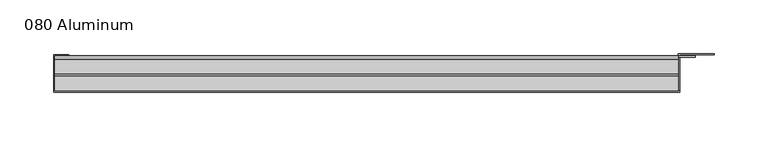
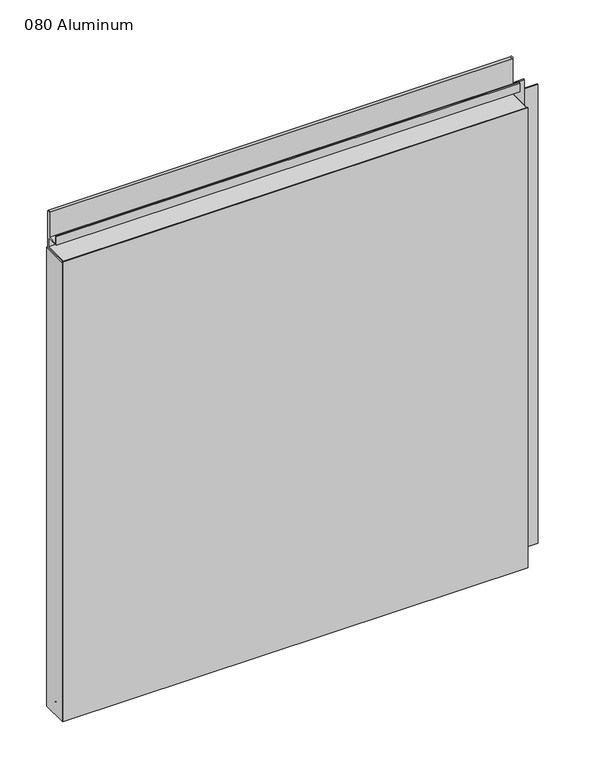
"""IFC4 building model written with IfcOpenShell, lengths in millimetres: plate geometry, 080 Aluminum."""

from ifc_helpers import new_model, si_unit, point, frame, frame_2d, origin, origin_with_axes, place, context, project, spatial, polyline, circle_curve, trimmed, segment, composite_curve, outline, extrude, source, transform, mapped, element, save


def plate_080_aluminum_312eb215(model_context):
    return source(origin(), model_context, "Body", "SweptSolid", [
        extrude(outline(polyline([(-297.18, -2.5660257), (-297.18, -34.7980001), (-298.4499999, -34.7980001), (-298.4499999, -1.2699999), (-284.2894994, -1.2699999), (-284.2894994, -2.5660257), (-297.18, -2.5660257)])), origin_with_axes(), (0.0, 0.0, 1.0), 608.33),
        extrude(outline(composite_curve([segment(polyline([(-16.6765477, 13.1458337), (-16.6765477, 2.786437), (-17.9464915, 2.786437), (-17.9464915, 13.1323356)]), True, "CONTINUOUS"), segment(trimmed(circle_curve(frame_2d((-19.8514743, 13.124237)), 1.905), [point((-17.9464915, 13.1323356))], [point((-21.7564743, 13.124237))], True, "CARTESIAN"), True, "CONTINUOUS"), segment(polyline([(-21.7564743, 13.124237), (-21.7564743, 0.0), (-34.7980002, 0.0), (-34.7980002, 1.2693678), (-23.0264743, 1.2693678), (-23.0264743, 13.124237)]), True, "CONTINUOUS"), segment(trimmed(circle_curve(frame_2d((-19.8514743, 13.124237)), 3.175), [point((-23.0264743, 13.124237))], [point((-16.6765477, 13.1458337))], False, "CARTESIAN"), True, "CONTINUOUS")], self_intersect=False)), frame((-297.18, 0.0, 0.0), z_axis=(1.0, 0.0, 0.0), x_axis=(0.0, 1.0, 0.0)), (0.0, 0.0, 1.0), 581.66),
        extrude(outline(composite_curve([segment(polyline([(-2.0574743, 656.7932001), (-2.0574743, 608.33), (-34.7980002, 608.33), (-34.7980002, 609.6000001), (-3.3274743, 609.6000001), (-3.3274743, 656.7932001)]), True, "CONTINUOUS"), segment(trimmed(circle_curve(frame_2d((-3.7084742, 656.7932001)), 0.3809999), [point((-3.3274743, 656.7932001))], [point((-4.0894742, 656.7932001))], True, "CARTESIAN"), True, "CONTINUOUS"), segment(polyline([(-4.0894742, 656.7932001), (-4.0894742, 622.3), (-20.4864742, 622.3), (-20.4864742, 633.6538), (-19.2164743, 633.6538), (-19.2164743, 623.57), (-5.3594742, 623.57), (-5.3594742, 656.7932001)]), True, "CONTINUOUS"), segment(trimmed(circle_curve(frame_2d((-3.7084742, 656.7932001)), 1.6509999), [point((-5.3594742, 656.7932001))], [point((-2.0574743, 656.7932001))], False, "CARTESIAN"), True, "CONTINUOUS")], self_intersect=False)), frame((-297.18, 0.0, 0.0), z_axis=(1.0, 0.0, 0.0), x_axis=(0.0, 1.0, 0.0)), (0.0, 0.0, 1.0), 581.66),
        extrude(outline(polyline([(-298.45, -36.068), (-298.45, -34.7980001), (285.75, -34.7980001), (285.75, -36.068), (-298.45, -36.068)])), origin_with_axes(), (0.0, 0.0, 1.0), 609.6),
        extrude(outline(polyline([(285.75, -1.2699999), (285.75, -34.7980002), (284.4800001, -34.7980002), (284.4800001, 0.0), (318.2620856, 0.0), (318.2620856, -1.2699999), (285.75, -1.2699999)])), origin_with_axes(), (0.0, 0.0, 1.0), 608.33),
        extrude(outline(polyline([(284.48, -3.3274743), (284.48, -2.0574743), (300.2279999, -2.0574743), (300.2279999, -3.3274743), (284.48, -3.3274743)])), origin_with_axes(), (0.0, 0.0, 1.0), 622.3),
    ])


if __name__ == "__main__":
    model = new_model("IFC4")
    model_context = context("Model", 3, world=origin())
    ifc_project = project(units=[si_unit("LENGTHUNIT", "METRE", prefix="MILLI")], contexts=[model_context])
    site = spatial("IfcSite", under=ifc_project)
    building = spatial("IfcBuilding", under=site)
    placement = place(None, origin())
    plate_080_aluminum_shape = plate_080_aluminum_312eb215(model_context)
    element("IfcPlate", 1, ObjectType="080 Aluminum", at=placement, inside=building, context=model_context, shape_type="MappedRepresentation", body=[
        mapped(plate_080_aluminum_shape, transform((0.0, 0.0, 0.0), x_axis=(1.0, 0.0, 0.0), y_axis=(0.0, 1.0, 0.0), z_axis=(0.0, 0.0, 1.0))),
    ])
    save(model, "model.ifc")
